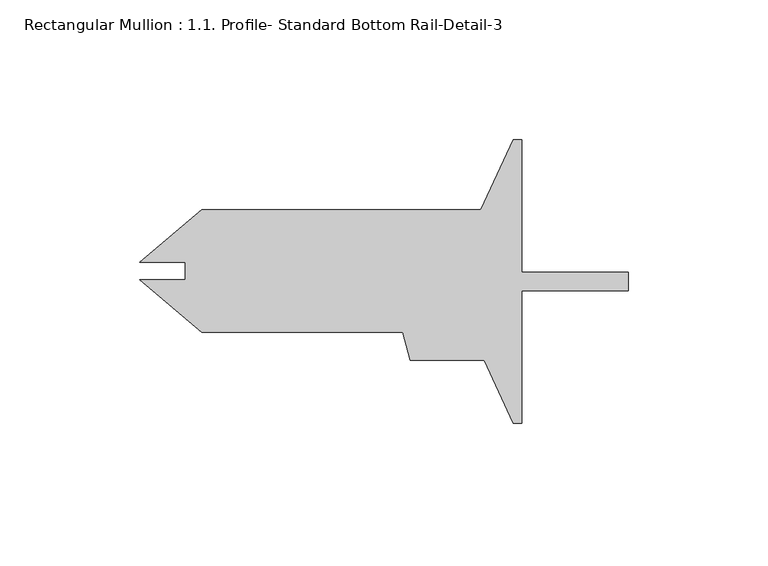
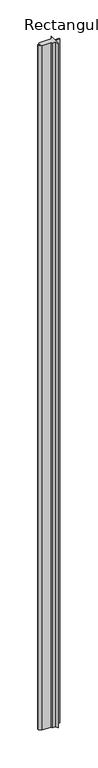
"""IFC4 building model written with IfcOpenShell, lengths in millimetres: member geometry, Rectangular Mullion : 1.1. Profile- Standard Bottom Rail-Detail-3."""

import ifcopenshell
import ifcopenshell.guid

model = None  # the IFC model being written
_history = None  # IfcOwnerHistory: only IFC2X3 demands one
_inside = {}  # id of a spatial element -> (the spatial element, [elements in it])
_under = {}  # id of a project, library or spatial element -> (it, [spatial elements below it])
_declared = {}  # id of a project -> (the project, [libraries it declares])
_typed = {}  # id of a type object -> (the type object, [elements of that type])
_made_of = {}  # id of a material, layer set ... -> (it, [elements and type objects made of it])


def new_model(schema):
    """Start an empty IFC model of exactly this schema.

    Asked for "IFC4X3", IfcOpenShell would pick the latest addendum, in which some entities
    have other attributes; the version numbers below select the first issue.
    IFC2X3 requires an IfcOwnerHistory on every rooted entity: one is made here for all.
    """
    global model, _history
    if schema == "IFC4X3":
        model = ifcopenshell.file(schema_version=(4, 3, 0, 0))
    else:
        model = ifcopenshell.file(schema=schema)
    _inside.clear()
    _under.clear()
    _declared.clear()
    _typed.clear()
    _made_of.clear()
    _history = None
    if model.schema == "IFC2X3":
        org = make("IfcOrganization", Name="unknown")
        user = make(
            "IfcPersonAndOrganization",
            ThePerson=make("IfcPerson", FamilyName="unknown"),
            TheOrganization=org,
        )
        app = make(
            "IfcApplication",
            ApplicationDeveloper=org,
            Version="unknown",
            ApplicationFullName="unknown",
            ApplicationIdentifier="unknown",
        )
        _history = make(
            "IfcOwnerHistory",
            OwningUser=user,
            OwningApplication=app,
            ChangeAction="ADDED",
            CreationDate=0,
        )
    return model


def make(cls, **values):
    """One entity of the class cls with the attributes given. An attribute that is None is left unset."""
    return model.create_entity(
        cls, **{name: value for name, value in values.items() if value is not None}
    )


def rooted(cls, **values):
    """An entity with a GlobalId (a new one), such as an element, a storey or a relation."""
    return make(cls, GlobalId=ifcopenshell.guid.new(), OwnerHistory=_history, **values)


def si_unit(unit_type, name, prefix=None):
    """IfcSIUnit, for example si_unit("LENGTHUNIT", "METRE", prefix="MILLI")."""
    return make("IfcSIUnit", UnitType=unit_type, Prefix=prefix, Name=name)


def assignment(units):
    """IfcUnitAssignment: the units of a project."""
    return None if units is None else make("IfcUnitAssignment", Units=units)


def point(xyz):
    """IfcCartesianPoint."""
    return None if xyz is None else make("IfcCartesianPoint", Coordinates=xyz)


def direction(xyz):
    """IfcDirection."""
    return None if xyz is None else make("IfcDirection", DirectionRatios=xyz)


def frame(location, z_axis=None, x_axis=None):
    """IfcAxis2Placement3D, a coordinate frame: its origin and axes. An axis left out is left unset."""
    return make(
        "IfcAxis2Placement3D",
        Location=point(location),
        Axis=direction(z_axis),
        RefDirection=direction(x_axis),
    )


def origin():
    """The frame at (0, 0, 0) with its axes left unset."""
    return frame((0.0, 0.0, 0.0))


def place(relative_to, where):
    """IfcLocalPlacement: puts the frame where relative to a parent placement (None: the world)."""
    return make(
        "IfcLocalPlacement", PlacementRelTo=relative_to, RelativePlacement=where
    )


def context(
    kind, dimensions, precision=None, world=None, true_north=None, identifier=None
):
    """IfcGeometricRepresentationContext, for example the 3D "Model" context."""
    return make(
        "IfcGeometricRepresentationContext",
        ContextIdentifier=identifier,
        ContextType=kind,
        CoordinateSpaceDimension=dimensions,
        Precision=precision,
        WorldCoordinateSystem=world,
        TrueNorth=true_north,
    )


def project(units=None, contexts=None):
    """IfcProject with its units and contexts."""
    return rooted(
        "IfcProject",
        Name="project",
        RepresentationContexts=contexts,
        UnitsInContext=assignment(units),
    )


def spatial(cls, under=None, at=None, **own):
    """A site, building, storey or space (cls), placed at a placement, below another one or the project."""
    s = rooted(cls, ObjectPlacement=at, **own)
    if under is not None:
        _under.setdefault(under.id(), (under, []))[1].append(s)
    return s


def polyline(points):
    """IfcPolyline through the points."""
    return make("IfcPolyline", Points=[point(p) for p in points])


def outline(outer, holes=None, kind="AREA"):
    """IfcArbitraryClosedProfileDef: a profile drawn as a closed curve; with holes, ...WithVoids."""
    if holes is None:
        return make("IfcArbitraryClosedProfileDef", ProfileType=kind, OuterCurve=outer)
    return make(
        "IfcArbitraryProfileDefWithVoids",
        ProfileType=kind,
        OuterCurve=outer,
        InnerCurves=holes,
    )


def extrude(swept, where, along, depth):
    """IfcExtrudedAreaSolid: the profile swept, set in the frame where, extruded along a direction by depth."""
    return make(
        "IfcExtrudedAreaSolid",
        SweptArea=swept,
        Position=where,
        ExtrudedDirection=direction(along),
        Depth=depth,
    )


def shape(context_of_items, identifier, shape_type, items):
    """IfcShapeRepresentation: the items that make up one representation, for example the "Body"."""
    return make(
        "IfcShapeRepresentation",
        ContextOfItems=context_of_items,
        RepresentationIdentifier=identifier,
        RepresentationType=shape_type,
        Items=items,
    )


def source(mapping_origin, context_of_items, identifier, shape_type, items):
    """IfcRepresentationMap: a shape defined once, which mapped items show again and again."""
    return make(
        "IfcRepresentationMap",
        MappingOrigin=mapping_origin,
        MappedRepresentation=shape(context_of_items, identifier, shape_type, items),
    )


def transform(
    local_origin,
    x_axis=None,
    y_axis=None,
    z_axis=None,
    scale=None,
    scale2=None,
    scale3=None,
    uniform=True,
):
    """IfcCartesianTransformationOperator3D, or its non-uniform kind. x_axis, y_axis, z_axis: its Axis1, 2, 3."""
    if uniform:
        return make(
            "IfcCartesianTransformationOperator3D",
            Axis1=direction(x_axis),
            Axis2=direction(y_axis),
            LocalOrigin=point(local_origin),
            Scale=scale,
            Axis3=direction(z_axis),
        )
    return make(
        "IfcCartesianTransformationOperator3DnonUniform",
        Axis1=direction(x_axis),
        Axis2=direction(y_axis),
        LocalOrigin=point(local_origin),
        Scale=scale,
        Axis3=direction(z_axis),
        Scale2=scale2,
        Scale3=scale3,
    )


def mapped(mapping_source, mapping_target):
    """IfcMappedItem: shows the shape of a source again, moved by a transform."""
    return make(
        "IfcMappedItem", MappingSource=mapping_source, MappingTarget=mapping_target
    )


def made_of(thing, what):
    """Note that an element or type object is made of a material, layer set ...; save() writes the relation."""
    if what is not None:
        _made_of.setdefault(what.id(), (what, []))[1].append(thing)
    return thing


def element(
    cls,
    number,
    at=None,
    inside=None,
    cuts=None,
    type_object=None,
    material=None,
    context=None,
    identifier="Body",
    shape_type=None,
    held_by="IfcProductDefinitionShape",
    body=None,
    shapes=None,
    **own,
):
    """One element of the class cls, such as IfcWall. Its Tag is "e" and its number.

    at: its placement. inside: the storey or other place that contains it. cuts: it is an
    opening in that element (IfcRelVoidsElement). A single representation is given by context,
    identifier, shape_type and body (its items); several are given by shapes. held_by: the class
    of the entity that holds the representations. save() writes the other relations.
    """
    e = rooted(cls, Tag="e%d" % number, ObjectPlacement=at, **own)
    if body is not None:
        shapes = [shape(context, identifier, shape_type, body)]
    if shapes is not None:
        e.Representation = make(held_by, Representations=shapes)
    if inside is not None:
        _inside.setdefault(inside.id(), (inside, []))[1].append(e)
    if cuts is not None:
        rooted(
            "IfcRelVoidsElement", RelatingBuildingElement=cuts, RelatedOpeningElement=e
        )
    if type_object is not None:
        _typed.setdefault(type_object.id(), (type_object, []))[1].append(e)
    return made_of(e, material)


def aggregate(whole, parts):
    """IfcRelAggregates: a whole, such as a stair, and the parts it consists of."""
    return rooted("IfcRelAggregates", RelatingObject=whole, RelatedObjects=parts)


def save(model, path):
    """Write the relations noted so far, then the file.

    IfcRelAggregates (storeys below a building ...), IfcRelContainedInSpatialStructure (elements
    in a storey), IfcRelDefinesByType, IfcRelAssociatesMaterial and IfcRelDeclares: one each for
    every whole, place, type object, material and project.
    """
    for whole, parts in _under.values():
        aggregate(whole, parts)
    for where, things in _inside.values():
        rooted(
            "IfcRelContainedInSpatialStructure",
            RelatedElements=things,
            RelatingStructure=where,
        )
    for kind, things in _typed.values():
        rooted("IfcRelDefinesByType", RelatedObjects=things, RelatingType=kind)
    for what, things in _made_of.values():
        rooted("IfcRelAssociatesMaterial", RelatedObjects=things, RelatingMaterial=what)
    for by, libraries in _declared.values():
        rooted("IfcRelDeclares", RelatingContext=by, RelatedDefinitions=libraries)
    model.write(path)


def rectangular_mullion_1_1_profile_standard_bottom_rail_detail_304cd8c7(model_context):
    return source(origin(), model_context, "Body", "SweptSolid", [
        extrude(outline(polyline([(-38.1000436, -0.3585045), (0.0, -0.3585045), (0.0, -7.0895045), (-38.1000436, -7.0895045), (-38.1000436, -54.5240045), (-41.2128035, -54.5240045), (-51.5917759, -31.9688045), (-78.0418662, -31.9688045), (-80.7411876, -21.8948), (-152.7178004, -21.8948), (-175.042608, -3.1620621), (-158.7640136, -3.1620621), (-158.7640136, 3.1620555), (-175.0426159, 3.1620555), (-152.7178004, 21.8948), (-52.8001507, 21.8948), (-41.2128035, 47.0759955), (-38.1000436, 47.0759955), (-38.1000436, -0.3585045)])), frame((0.0, 0.0, -6000.75), z_axis=(0.0, 0.0, 1.0), x_axis=(1.0, 0.0, 0.0)), (0.0, 0.0, 1.0), 6000.75),
    ])


if __name__ == "__main__":
    model = new_model("IFC4")
    model_context = context("Model", 3, world=origin())
    ifc_project = project(units=[si_unit("LENGTHUNIT", "METRE", prefix="MILLI")], contexts=[model_context])
    site = spatial("IfcSite", under=ifc_project)
    building = spatial("IfcBuilding", under=site)
    placement = place(None, origin())
    rectangular_mullion_1_1_profile_standard_bottom_rail_detail_shape = rectangular_mullion_1_1_profile_standard_bottom_rail_detail_304cd8c7(model_context)
    element("IfcMember", 1, ObjectType="Rectangular Mullion : 1.1. Profile- Standard Bottom Rail-Detail-3", at=placement, inside=building, context=model_context, shape_type="MappedRepresentation", body=[
        mapped(rectangular_mullion_1_1_profile_standard_bottom_rail_detail_shape, transform((0.0, 0.0, 0.0), x_axis=(1.0, 0.0, 0.0), y_axis=(0.0, 1.0, 0.0), z_axis=(0.0, 0.0, 1.0))),
    ])
    save(model, "model.ifc")
